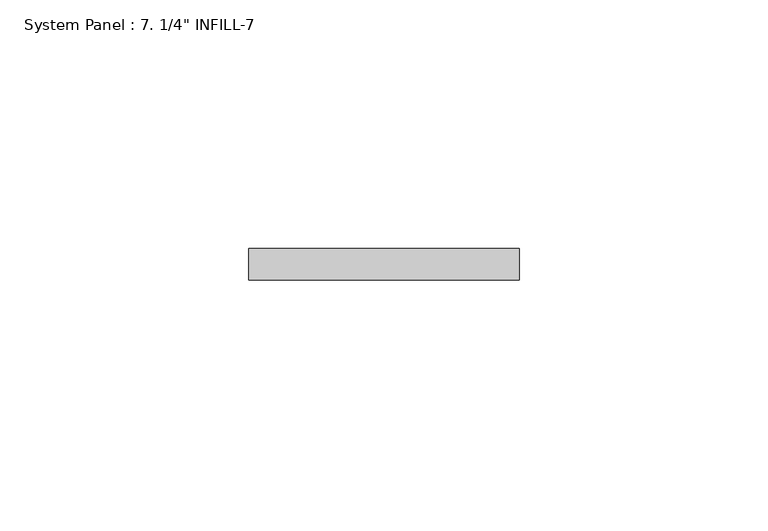
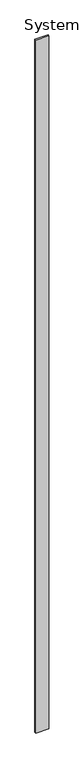
"""IFC4 building model written with IfcOpenShell, lengths in millimetres: plate geometry."""

from ifc_helpers import new_model, si_unit, origin, origin_with_axes, place, context, project, spatial, polyline, outline, extrude, source, transform, mapped, element, save


def plate_fcafe4f0(model_context):
    return source(origin(), model_context, "Body", "SweptSolid", [
        extrude(outline(polyline([(27.2481204, 0.0992188), (-27.2481204, 0.0992188), (-27.2481204, 6.4492188), (27.2481204, 6.4492188), (27.2481204, 0.0992188)])), origin_with_axes(), (0.0, 0.0, 1.0), 3048.0),
    ])


if __name__ == "__main__":
    model = new_model("IFC4")
    model_context = context("Model", 3, world=origin())
    ifc_project = project(units=[si_unit("LENGTHUNIT", "METRE", prefix="MILLI")], contexts=[model_context])
    site = spatial("IfcSite", under=ifc_project)
    building = spatial("IfcBuilding", under=site)
    placement = place(None, origin())
    plate_shape = plate_fcafe4f0(model_context)
    element("IfcPlate", 1, ObjectType="System Panel : 7. 1/4\" INFILL-7", at=placement, inside=building, context=model_context, shape_type="MappedRepresentation", body=[
        mapped(plate_shape, transform((0.0, 0.0, 0.0), x_axis=(1.0, 0.0, 0.0), y_axis=(0.0, 1.0, 0.0), z_axis=(0.0, 0.0, 1.0))),
    ])
    save(model, "model.ifc")
